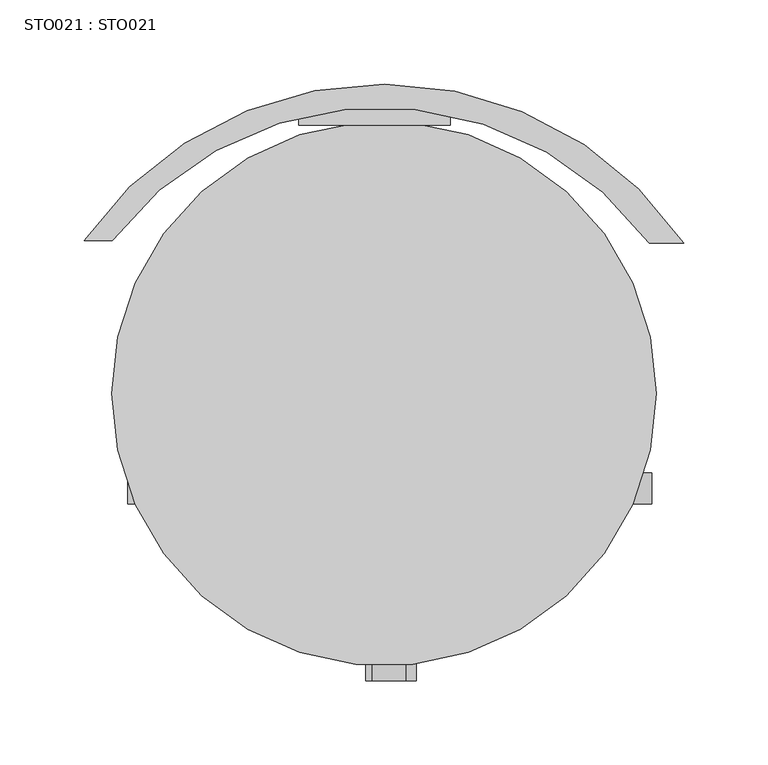
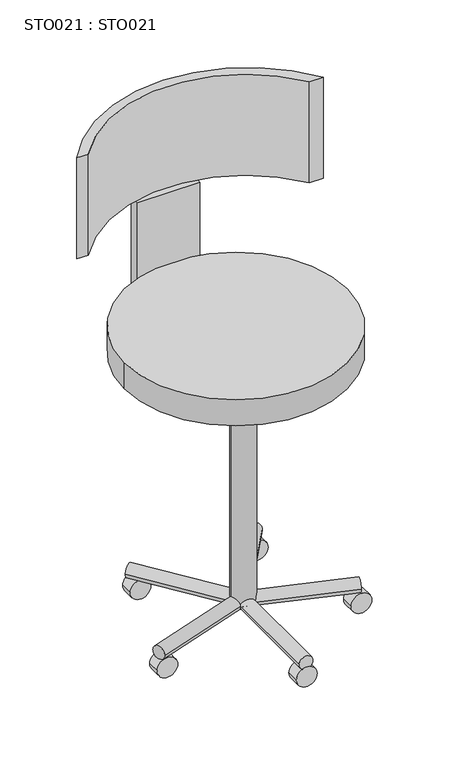
"""IFC4 building model written with IfcOpenShell, lengths in millimetres: proxy geometry, STO021 : STO021."""

from ifc_helpers import new_model, si_unit, point, frame, frame_2d, origin, place, context, project, spatial, polyline, circle_curve, trimmed, segment, composite_curve, outline, extrude, source, transform, mapped, element, save


def sto021_sto021_4f4f3a99(model_context):
    return source(origin(), model_context, "Body", "SweptSolid", [
        extrude(outline(composite_curve([segment(trimmed(circle_curve(frame_2d((193.2655579, -269.0141632)), 199.4100575), [point((353.2655579, -150.0))], [point((34.378892, -148.5176968))], True, "CARTESIAN"), True, "CONTINUOUS"), segment(polyline([(34.378892, -148.5176968), (17.7129954, -148.5176968)]), True, "CONTINUOUS"), segment(trimmed(circle_curve(frame_2d((195.2129954, -271.6495775)), 216.0271049), [point((17.7129954, -148.5176968))], [point((373.732155, -150.0))], False, "CARTESIAN"), True, "CONTINUOUS"), segment(polyline([(373.732155, -150.0), (353.2655579, -150.0)]), True, "CONTINUOUS")], self_intersect=False)), frame((0.0, 0.0, 559.8830499), z_axis=(0.0, 0.0, 1.0), x_axis=(1.0, 0.0, 0.0)), (0.0, 0.0, 1.0), 154.6501788),
        extrude(outline(composite_curve([segment(trimmed(circle_curve(frame_2d((14.5694791, 58.5570226)), 15.0), [point((14.5694791, 43.5570226))], [point((14.5694791, 73.5570226))], False, "CARTESIAN"), True, "CONTINUOUS"), segment(trimmed(circle_curve(frame_2d((14.5694791, 58.5570226)), 15.0), [point((14.5694791, 73.5570226))], [point((14.5694791, 43.5570226))], False, "CARTESIAN"), True, "CONTINUOUS")], self_intersect=False)), frame((0.0, -305.0, 0.0), z_axis=(0.0, 1.0, 0.0), x_axis=(0.0, 0.0, 1.0)), (0.0, 0.0, 1.0), 18.58),
        extrude(outline(composite_curve([segment(trimmed(circle_curve(frame_2d((14.5694791, 114.8204837)), 15.0), [point((14.5694791, 99.8204837))], [point((14.5694791, 129.8204837))], False, "CARTESIAN"), True, "CONTINUOUS"), segment(trimmed(circle_curve(frame_2d((14.5694791, 114.8204837)), 15.0), [point((14.5694791, 129.8204837))], [point((14.5694791, 99.8204837))], False, "CARTESIAN"), True, "CONTINUOUS")], self_intersect=False)), frame((0.0, -140.0, 0.0), z_axis=(0.0, 1.0, 0.0), x_axis=(0.0, 0.0, 1.0)), (0.0, 0.0, 1.0), 18.58),
        extrude(outline(composite_curve([segment(trimmed(circle_curve(frame_2d((14.5694791, 284.8204837)), 15.0), [point((14.5694791, 269.8204837))], [point((14.5694791, 299.8204837))], False, "CARTESIAN"), True, "CONTINUOUS"), segment(trimmed(circle_curve(frame_2d((14.5694791, 284.8204837)), 15.0), [point((14.5694791, 299.8204837))], [point((14.5694791, 269.8204837))], False, "CARTESIAN"), True, "CONTINUOUS")], self_intersect=False)), frame((0.0, -140.0, 0.0), z_axis=(0.0, 1.0, 0.0), x_axis=(0.0, 0.0, 1.0)), (0.0, 0.0, 1.0), 18.58),
        extrude(outline(composite_curve([segment(trimmed(circle_curve(frame_2d((14.5694791, 339.7754922)), 15.0), [point((14.5694791, 324.7754922))], [point((14.5694791, 354.7754922))], False, "CARTESIAN"), True, "CONTINUOUS"), segment(trimmed(circle_curve(frame_2d((14.5694791, 339.7754922)), 15.0), [point((14.5694791, 354.7754922))], [point((14.5694791, 324.7754922))], False, "CARTESIAN"), True, "CONTINUOUS")], self_intersect=False)), frame((0.0, -305.0, 0.0), z_axis=(0.0, 1.0, 0.0), x_axis=(0.0, 0.0, 1.0)), (0.0, 0.0, 1.0), 18.58),
        extrude(outline(composite_curve([segment(trimmed(circle_curve(frame_2d((14.5694791, 199.8676884)), 15.0), [point((14.5694791, 184.8676884))], [point((14.5694791, 214.8676884))], False, "CARTESIAN"), True, "CONTINUOUS"), segment(trimmed(circle_curve(frame_2d((14.5694791, 199.8676884)), 15.0), [point((14.5694791, 214.8676884))], [point((14.5694791, 184.8676884))], False, "CARTESIAN"), True, "CONTINUOUS")], self_intersect=False)), frame((0.0, -410.0, 0.0), z_axis=(0.0, 1.0, 0.0), x_axis=(0.0, 0.0, 1.0)), (0.0, 0.0, 1.0), 18.58),
        extrude(outline(polyline([(235.0, -80.0), (145.0, -80.0), (145.0, -65.0), (235.0, -65.0), (235.0, -80.0)])), frame((0.0, 0.0, 410.0244168), z_axis=(0.0, 0.0, 1.0), x_axis=(1.0, 0.0, 0.0)), (0.0, 0.0, 1.0), 149.8586331),
        extrude(outline(composite_curve([segment(trimmed(circle_curve(frame_2d((0.0, -10.0)), 10.0), [point((0.0, -20.0))], [point((0.0, 0.0))], False, "CARTESIAN"), True, "CONTINUOUS"), segment(trimmed(circle_curve(frame_2d((0.0, -10.0)), 10.0), [point((0.0, 0.0))], [point((0.0, -20.0))], False, "CARTESIAN"), True, "CONTINUOUS")], self_intersect=False)), frame((345.1250559, -286.8007924, 36.7615917), z_axis=(-0.9508448622928297, 0.3096676409496636, 0.0), x_axis=(0.0, 0.0, 1.0)), (0.0, 0.0, 1.0), 150.9774353),
        extrude(outline(composite_curve([segment(trimmed(circle_curve(frame_2d((0.0, -10.0)), 10.0), [point((0.0, -20.0))], [point((0.0, 0.0))], False, "CARTESIAN"), True, "CONTINUOUS"), segment(trimmed(circle_curve(frame_2d((0.0, -10.0)), 10.0), [point((0.0, 0.0))], [point((0.0, -20.0))], False, "CARTESIAN"), True, "CONTINUOUS")], self_intersect=False)), frame((52.9571544, -308.2427454, 36.7615917), z_axis=(0.9483955600318635, 0.3170896745588668, 0.0), x_axis=(0.0, 0.0, 1.0)), (0.0, 0.0, 1.0), 157.2549468),
        extrude(outline(composite_curve([segment(trimmed(circle_curve(frame_2d((36.7615917, 198.7424966)), 10.0), [point((36.7615917, 188.7424966))], [point((36.7615917, 208.7424966))], False, "CARTESIAN"), True, "CONTINUOUS"), segment(trimmed(circle_curve(frame_2d((36.7615917, 198.7424966)), 10.0), [point((36.7615917, 208.7424966))], [point((36.7615917, 188.7424966))], False, "CARTESIAN"), True, "CONTINUOUS")], self_intersect=False)), frame((0.0, -410.0, 0.0), z_axis=(0.0, 1.0, 0.0), x_axis=(0.0, 0.0, 1.0)), (0.0, 0.0, 1.0), 160.0),
        extrude(outline(composite_curve([segment(trimmed(circle_curve(frame_2d((0.0, -9.9999999)), 10.0), [point((0.0, -20.0))], [point((0.0, 0.0))], False, "CARTESIAN"), True, "CONTINUOUS"), segment(trimmed(circle_curve(frame_2d((0.0, -9.9999999)), 10.0), [point((0.0, 0.0))], [point((0.0, -20.0))], False, "CARTESIAN"), True, "CONTINUOUS")], self_intersect=False)), frame((206.0526053, -255.3121483, 36.7615917), z_axis=(0.5873949301705781, 0.8093004361854141, 0.0), x_axis=(0.0, 0.0, 1.0)), (0.0, 0.0, 1.0), 155.1114475),
        extrude(outline(composite_curve([segment(trimmed(circle_curve(frame_2d((0.0, -10.0)), 10.0), [point((0.0, -20.0))], [point((0.0, 0.0))], False, "CARTESIAN"), True, "CONTINUOUS"), segment(trimmed(circle_curve(frame_2d((0.0, -10.0)), 10.0), [point((0.0, 0.0))], [point((0.0, -20.0))], False, "CARTESIAN"), True, "CONTINUOUS")], self_intersect=False)), frame((206.8213337, -244.1187426, 36.7615917), z_axis=(-0.5881257419389853, 0.8087695046604553, 0.0), x_axis=(0.0, 0.0, 1.0)), (0.0, 0.0, 1.0), 155.9746448),
        extrude(outline(composite_curve([segment(trimmed(circle_curve(frame_2d((200.0119632, -249.9631575)), 17.0344146), [point((182.9775486, -249.9631575))], [point((217.0463779, -249.9631575))], False, "CARTESIAN"), True, "CONTINUOUS"), segment(trimmed(circle_curve(frame_2d((200.0119632, -249.9631575)), 17.0344146), [point((217.0463779, -249.9631575))], [point((182.9775486, -249.9631575))], False, "CARTESIAN"), True, "CONTINUOUS")], self_intersect=False)), frame((0.0, 0.0, 32.7158913), z_axis=(0.0, 0.0, 1.0), x_axis=(1.0, 0.0, 0.0)), (0.0, 0.0, 1.0), 377.3085255),
        extrude(outline(composite_curve([segment(trimmed(circle_curve(frame_2d((195.7552542, -239.4109143)), 161.6165798), [point((34.1386745, -239.4109143))], [point((357.371834, -239.4109143))], False, "CARTESIAN"), True, "CONTINUOUS"), segment(trimmed(circle_curve(frame_2d((195.7552542, -239.4109143)), 161.6165798), [point((357.371834, -239.4109143))], [point((34.1386745, -239.4109143))], False, "CARTESIAN"), True, "CONTINUOUS")], self_intersect=False)), frame((0.0, 0.0, 410.0244168), z_axis=(0.0, 0.0, 1.0), x_axis=(1.0, 0.0, 0.0)), (0.0, 0.0, 1.0), 39.9755832),
    ])


if __name__ == "__main__":
    model = new_model("IFC4")
    model_context = context("Model", 3, world=origin())
    ifc_project = project(units=[si_unit("LENGTHUNIT", "METRE", prefix="MILLI")], contexts=[model_context])
    site = spatial("IfcSite", under=ifc_project)
    building = spatial("IfcBuilding", under=site)
    placement = place(None, origin())
    sto021_sto021_shape = sto021_sto021_4f4f3a99(model_context)
    element("IfcBuildingElementProxy", 1, Name="STO021 : STO021", ObjectType="STO021 : STO021", at=placement, inside=building, context=model_context, shape_type="MappedRepresentation", body=[
        mapped(sto021_sto021_shape, transform((0.0, 0.0, 0.0), x_axis=(1.0, 0.0, 0.0), y_axis=(0.0, 1.0, 0.0), z_axis=(0.0, 0.0, 1.0))),
    ])
    save(model, "model.ifc")
